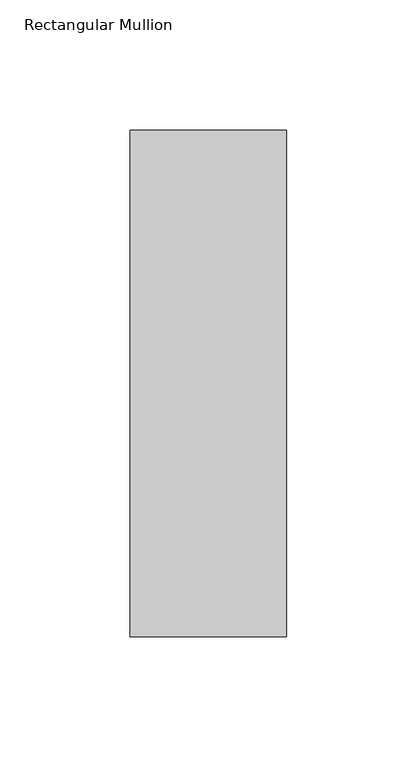
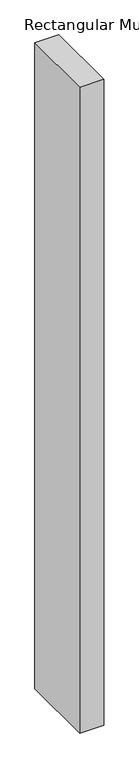
"""IFC4 building model written with IfcOpenShell, lengths in millimetres: member geometry, Rectangular Mullion."""

from ifc_helpers import new_model, si_unit, frame, origin, place, context, project, spatial, polyline, outline, extrude, source, transform, mapped, element, save


def rectangular_mullion_c627b393(model_context):
    return source(origin(), model_context, "Body", "SweptSolid", [
        extrude(outline(polyline([(30.0, 142.60625), (30.0, -51.60625), (-30.0, -51.60625), (-30.0, 142.60625), (30.0, 142.60625)])), frame((0.0, 0.0, -1708.8912252), z_axis=(0.0, 0.0, 1.0), x_axis=(1.0, 0.0, 0.0)), (0.0, 0.0, 1.0), 1708.8912252),
    ])


if __name__ == "__main__":
    model = new_model("IFC4")
    model_context = context("Model", 3, world=origin())
    ifc_project = project(units=[si_unit("LENGTHUNIT", "METRE", prefix="MILLI")], contexts=[model_context])
    site = spatial("IfcSite", under=ifc_project)
    building = spatial("IfcBuilding", under=site)
    placement = place(None, origin())
    rectangular_mullion_shape = rectangular_mullion_c627b393(model_context)
    element("IfcMember", 1, ObjectType="Rectangular Mullion", at=placement, inside=building, context=model_context, shape_type="MappedRepresentation", body=[
        mapped(rectangular_mullion_shape, transform((0.0, 0.0, 0.0), x_axis=(1.0, 0.0, 0.0), y_axis=(0.0, 1.0, 0.0), z_axis=(0.0, 0.0, 1.0))),
    ])
    save(model, "model.ifc")
